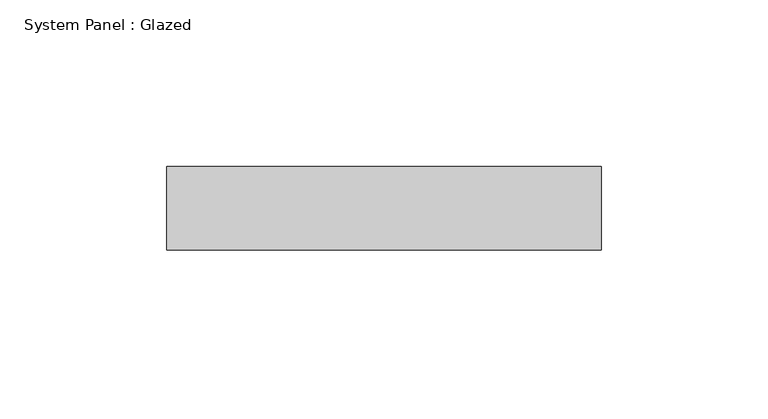
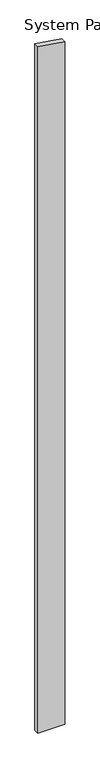
"""IFC4 building model written with IfcOpenShell, lengths in millimetres: plate geometry, System Panel : Glazed."""

from ifc_helpers import new_model, si_unit, frame, origin, place, context, project, spatial, polyline, outline, extrude, source, transform, mapped, element, save


def system_panel_glazed_3c2c2b98(model_context):
    return source(origin(), model_context, "Body", "SweptSolid", [
        extrude(outline(polyline([(0.0, -65.0), (0.0, 65.0), (3474.8248499, 65.0), (3494.0781827, -65.0), (0.0, -65.0)])), frame((0.0, 24.5, 0.0), z_axis=(0.0, 1.0, 0.0), x_axis=(0.0, 0.0, 1.0)), (0.0, 0.0, 1.0), 25.0),
    ])


if __name__ == "__main__":
    model = new_model("IFC4")
    model_context = context("Model", 3, world=origin())
    ifc_project = project(units=[si_unit("LENGTHUNIT", "METRE", prefix="MILLI")], contexts=[model_context])
    site = spatial("IfcSite", under=ifc_project)
    building = spatial("IfcBuilding", under=site)
    placement = place(None, origin())
    system_panel_glazed_shape = system_panel_glazed_3c2c2b98(model_context)
    element("IfcPlate", 1, ObjectType="System Panel : Glazed", at=placement, inside=building, context=model_context, shape_type="MappedRepresentation", body=[
        mapped(system_panel_glazed_shape, transform((0.0, 0.0, 0.0), x_axis=(1.0, 0.0, 0.0), y_axis=(0.0, 1.0, 0.0), z_axis=(0.0, 0.0, 1.0))),
    ])
    save(model, "model.ifc")
